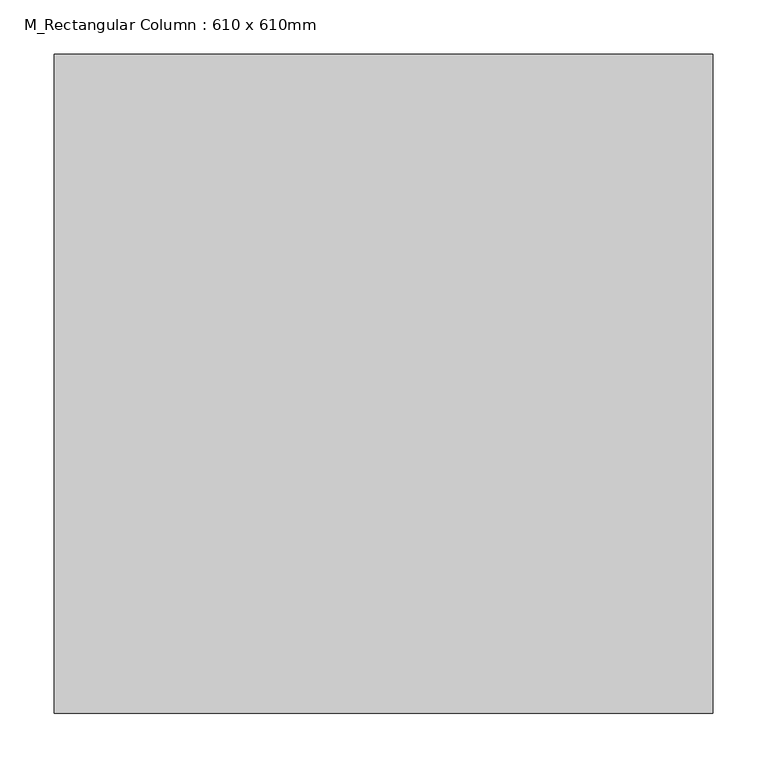
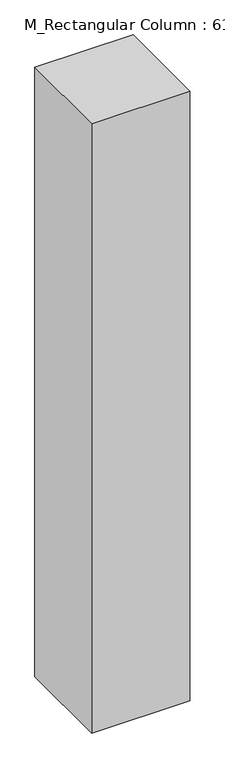
"""IFC4 building model written with IfcOpenShell, lengths in millimetres: column geometry, M_Rectangular Column : 610 x 610mm."""

from ifc_helpers import new_model, si_unit, frame, origin, place, context, project, spatial, polyline, outline, extrude, source, transform, mapped, element, save


def m_rectangular_column_610_x_610mm_a18c0a74(model_context):
    return source(origin(), model_context, "Body", "SweptSolid", [
        extrude(outline(polyline([(305.0, 305.0), (305.0, -305.0), (-305.0, -305.0), (-305.0, 305.0), (305.0, 305.0)])), frame((0.0, 0.0, 6000.0), z_axis=(0.0, 0.0, 1.0), x_axis=(1.0, 0.0, 0.0)), (0.0, 0.0, 1.0), 4000.0),
    ])


if __name__ == "__main__":
    model = new_model("IFC4")
    model_context = context("Model", 3, world=origin())
    ifc_project = project(units=[si_unit("LENGTHUNIT", "METRE", prefix="MILLI")], contexts=[model_context])
    site = spatial("IfcSite", under=ifc_project)
    building = spatial("IfcBuilding", under=site)
    placement = place(None, origin())
    m_rectangular_column_610_x_610mm_shape = m_rectangular_column_610_x_610mm_a18c0a74(model_context)
    element("IfcColumn", 1, ObjectType="M_Rectangular Column : 610 x 610mm", at=placement, inside=building, context=model_context, shape_type="MappedRepresentation", body=[
        mapped(m_rectangular_column_610_x_610mm_shape, transform((0.0, 0.0, 0.0), x_axis=(1.0, 0.0, 0.0), y_axis=(0.0, 1.0, 0.0), z_axis=(0.0, 0.0, 1.0))),
    ])
    save(model, "model.ifc")
